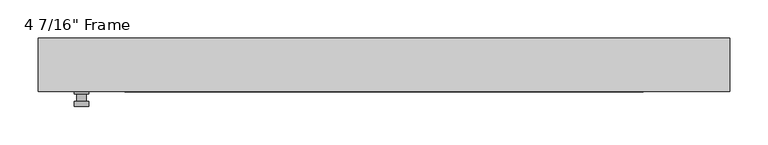
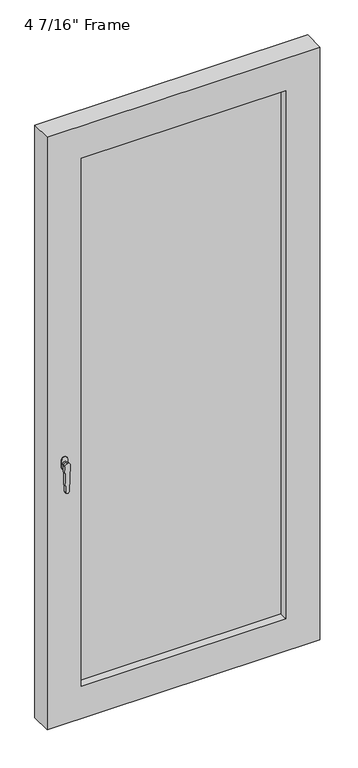
"""IFC4 building model written with IfcOpenShell, lengths in millimetres: plate geometry."""

from ifc_helpers import new_model, si_unit, frame, origin, place, context, project, spatial, polyline, circle_curve, outline, extrude, faceted_brep, source, transform, mapped, element, save
from ifc_brep_helpers import plane_surface, cylinder_surface, advanced_brep


def plate_bd4c9f5b(model_context):
    return source(origin(), model_context, "Body", "SolidModel", [
        advanced_brep(
        [(-385.28625, -34.925, 927.1), (-385.28625, -34.925, 901.7), (-404.33625, -34.925, 901.7), (-404.33625, -34.925, 927.1), (-388.46125, -47.625, 914.4), (-401.16125, -47.625, 914.4), (-401.16125, -38.1, 914.4), (-388.46125, -38.1, 914.4), (-385.28625, -47.625, 914.4), (-388.4652856, -47.625, 825.2736467), (-401.1572144, -47.625, 825.2736467), (-404.33625, -47.625, 914.4), (-385.28625, -53.975, 914.4), (-404.33625, -53.975, 914.4), (-401.1572144, -53.975, 825.2736467), (-388.4652856, -53.975, 825.2736467), (-385.28625, -38.1, 927.1), (-404.33625, -38.1, 927.1), (-404.33625, -38.1, 901.7), (-385.28625, -38.1, 901.7)],
        [
            (0, 1),
            (1, 2, circle_curve(frame((-394.81125, -34.925, 901.7), z_axis=(0.0, 1.0, 0.0), x_axis=(-1.0, 0.0, 0.0)), 9.525)),
            (2, 3),
            (3, 0, circle_curve(frame((-394.81125, -34.925, 927.1), z_axis=(0.0, 1.0, 0.0), x_axis=(-1.0, 0.0, 0.0)), 9.525)),
            (4, 5, circle_curve(frame((-394.81125, -47.625, 914.4), z_axis=(0.0, 1.0, 0.0), x_axis=(-1.0, 0.0, 0.0)), 6.35)),
            (5, 6),
            (6, 7, circle_curve(frame((-394.81125, -38.1, 914.4), z_axis=(0.0, -1.0, 0.0), x_axis=(-1.0, 0.0, 0.0)), 6.35)),
            (7, 4),
            (5, 4, circle_curve(frame((-394.81125, -47.625, 914.4), z_axis=(0.0, 1.0, 0.0), x_axis=(-1.0, 0.0, 0.0)), 6.35)),
            (7, 6, circle_curve(frame((-394.81125, -38.1, 914.4), z_axis=(0.0, -1.0, 0.0), x_axis=(-1.0, 0.0, 0.0)), 6.35)),
            (8, 9),
            (9, 10, circle_curve(frame((-394.81125, -47.625, 825.5), z_axis=(0.0, 1.0, 0.0), x_axis=(-1.0, 0.0, 0.0)), 6.35)),
            (10, 11),
            (11, 8, circle_curve(frame((-394.81125, -47.625, 914.4), z_axis=(0.0, 1.0, 0.0), x_axis=(-1.0, 0.0, 0.0)), 9.525)),
            (12, 13, circle_curve(frame((-394.81125, -53.975, 914.4), z_axis=(0.0, -1.0, 0.0), x_axis=(-1.0, 0.0, 0.0)), 9.525)),
            (13, 14),
            (14, 15, circle_curve(frame((-394.81125, -53.975, 825.5), z_axis=(0.0, -1.0, 0.0), x_axis=(-1.0, 0.0, 0.0)), 6.35)),
            (15, 12),
            (8, 12),
            (15, 9),
            (14, 10),
            (13, 11),
            (16, 17, circle_curve(frame((-394.81125, -38.1, 927.1), z_axis=(0.0, -1.0, 0.0), x_axis=(-1.0, 0.0, 0.0)), 9.525)),
            (17, 18),
            (18, 19, circle_curve(frame((-394.81125, -38.1, 901.7), z_axis=(0.0, -1.0, 0.0), x_axis=(-1.0, 0.0, 0.0)), 9.525)),
            (19, 16),
            (0, 16),
            (19, 1),
            (18, 2),
            (17, 3),
        ],
        [
            plane_surface(frame((-401.16125, -34.925, 914.4), z_axis=(0.0, 1.0, 0.0), x_axis=(0.0, 0.0, 1.0))),
            cylinder_surface(frame((-394.81125, -47.625, 914.4), z_axis=(0.0, 1.0, 0.0), x_axis=(-1.0, 0.0, 0.0)), 6.35),
            plane_surface(frame((-385.28625, -47.625, 914.4), z_axis=(0.0, 1.0000000000000002, 0.0), x_axis=(-0.03564619348186888, 0.0, -0.9993644724975235))),
            plane_surface(frame((-385.28625, -53.975, 914.4), z_axis=(0.0, -1.0000000000000002, 0.0), x_axis=(0.03564619348186888, 0.0, 0.9993644724975235))),
            plane_surface(frame((-385.28625, -47.625, 914.4), z_axis=(0.9993644724975235, 0.0, -0.03564619348186888), x_axis=(0.0, -1.0, 0.0))),
            cylinder_surface(frame((-394.81125, -53.975, 825.5), z_axis=(0.0, 1.0, 0.0), x_axis=(-1.0, 0.0, 0.0)), 6.35),
            plane_surface(frame((-401.1572144, -47.625, 825.2736467), z_axis=(-0.9993644724975228, 0.0, -0.03564619348188612), x_axis=(0.0, -1.0, 0.0))),
            cylinder_surface(frame((-394.81125, -53.975, 914.4), z_axis=(0.0, 1.0, 0.0), x_axis=(-1.0, 0.0, 0.0)), 9.525),
            plane_surface(frame((-385.28625, -38.1, 901.7), z_axis=(0.0, -1.0, 0.0), x_axis=(0.0, 0.0, 1.0))),
            plane_surface(frame((-385.28625, -34.925, 927.1), z_axis=(1.0, 0.0, 0.0), x_axis=(0.0, -1.0, 0.0))),
            cylinder_surface(frame((-394.81125, -38.1, 901.7), z_axis=(0.0, 1.0, 0.0), x_axis=(-1.0, 0.0, 0.0)), 9.525),
            plane_surface(frame((-404.33625, -34.925, 901.7), z_axis=(-1.0, 0.0, 0.0), x_axis=(0.0, -1.0, 0.0))),
            cylinder_surface(frame((-394.81125, -38.1, 927.1), z_axis=(0.0, 1.0, 0.0), x_axis=(-1.0, 0.0, 0.0)), 9.525),
        ],
        [
            (0, [[1, 2, 3, 4]]),
            (1, [[5, 6, 7, 8]]),
            (1, [[9, -8, 10, -6]]),
            (2, [[11, 12, 13, 14], [-5, -9]]),
            (3, [[15, 16, 17, 18]]),
            (4, [[-11, 19, -18, 20]]),
            (5, [[-12, -20, -17, 21]]),
            (6, [[-13, -21, -16, 22]]),
            (7, [[-14, -22, -15, -19]]),
            (8, [[23, 24, 25, 26], [-7, -10]]),
            (9, [[-1, 27, -26, 28]]),
            (10, [[-2, -28, -25, 29]]),
            (11, [[-3, -29, -24, 30]]),
            (12, [[-4, -30, -23, -27]]),
        ],
    ),
        faceted_brep([(-451.1675, -34.925, 0.0), (-451.1675, 34.925, 0.0), (451.1675, 34.925, 0.0), (451.1675, -34.925, 0.0), (-338.455, 34.925, 1960.5625), (-338.455, 15.875, 1960.5625), (-338.455, 15.875, 112.7125), (-338.455, 34.925, 112.7125), (351.155, 15.875, 1973.2625), (-351.155, 15.875, 1973.2625), (-351.155, 15.875, 100.0125), (351.155, 15.875, 100.0125), (338.455, 15.875, 1960.5625), (338.455, 15.875, 112.7125), (-351.155, -7.9375, 1973.2625), (-351.155, -7.9375, 100.0125), (351.155, -7.9375, 1973.2625), (351.155, -7.9375, 100.0125), (-338.455, -7.9375, 1960.5625), (-338.455, -7.9375, 112.7125), (338.455, -7.9375, 112.7125), (338.455, -7.9375, 1960.5625), (-338.455, -34.925, 1960.5625), (-338.455, -34.925, 112.7125), (451.1675, -34.925, 2073.275), (-451.1675, -34.925, 2073.275), (338.455, -34.925, 1960.5625), (338.455, -34.925, 112.7125), (-451.1675, 34.925, 2073.275), (451.1675, 34.925, 2073.275), (338.455, 34.925, 112.7125), (338.455, 34.925, 1960.5625)], [[[0, 1, 2, 3]], [[4, 5, 6, 7]], [[8, 9, 10, 11], [5, 12, 13, 6]], [[10, 9, 14, 15]], [[14, 16, 17, 15], [18, 19, 20, 21]], [[18, 22, 23, 19]], [[0, 3, 24, 25], [22, 26, 27, 23]], [[1, 0, 25, 28]], [[2, 1, 28, 29], [4, 7, 30, 31]], [[5, 4, 31, 12]], [[9, 8, 16, 14]], [[18, 21, 26, 22]], [[25, 24, 29, 28]], [[12, 31, 30, 13]], [[17, 16, 8, 11]], [[26, 21, 20, 27]], [[24, 3, 2, 29]], [[23, 27, 20, 19]], [[11, 10, 15, 17]], [[6, 13, 30, 7]]]),
        extrude(outline(polyline([(351.155, -7.9375), (-351.155, -7.9375), (-351.155, 15.875), (351.155, 15.875), (351.155, -7.9375)])), frame((0.0, 0.0, 100.0125), z_axis=(0.0, 0.0, 1.0), x_axis=(1.0, 0.0, 0.0)), (0.0, 0.0, 1.0), 1873.25),
    ])


if __name__ == "__main__":
    model = new_model("IFC4")
    model_context = context("Model", 3, world=origin())
    ifc_project = project(units=[si_unit("LENGTHUNIT", "METRE", prefix="MILLI")], contexts=[model_context])
    site = spatial("IfcSite", under=ifc_project)
    building = spatial("IfcBuilding", under=site)
    placement = place(None, origin())
    plate_shape = plate_bd4c9f5b(model_context)
    element("IfcPlate", 1, ObjectType="4 7/16\" Frame", at=placement, inside=building, context=model_context, shape_type="MappedRepresentation", body=[
        mapped(plate_shape, transform((0.0, 0.0, 0.0), x_axis=(1.0, 0.0, 0.0), y_axis=(0.0, 1.0, 0.0), z_axis=(0.0, 0.0, 1.0))),
    ])
    save(model, "model.ifc")
